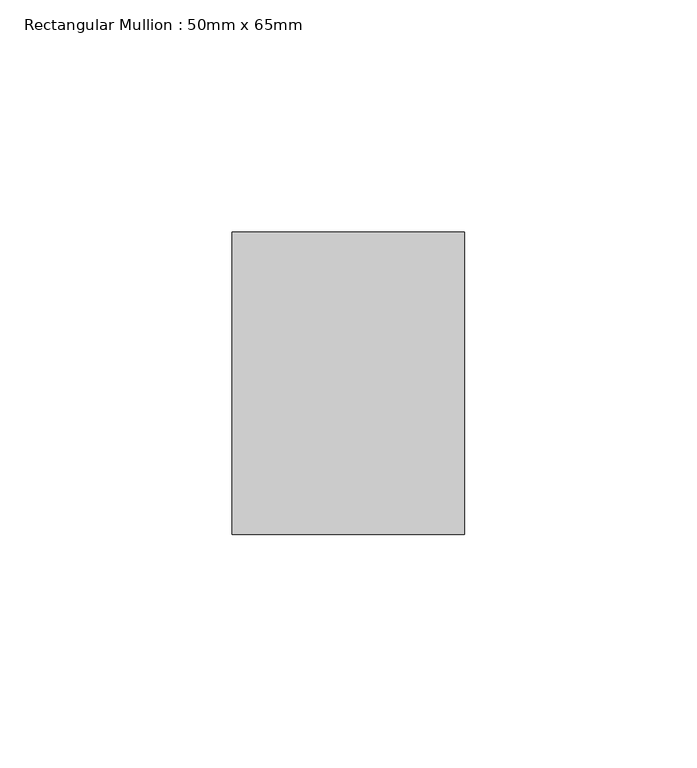
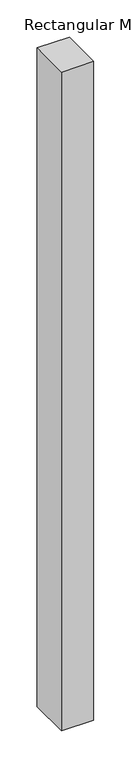
"""IFC4 building model written with IfcOpenShell, lengths in millimetres: member geometry, Rectangular Mullion : 50mm x 65mm."""

from ifc_helpers import new_model, si_unit, frame, origin, place, context, project, spatial, polyline, outline, extrude, source, transform, mapped, element, save


def rectangular_mullion_50mm_x_65mm_949d1eea(model_context):
    return source(origin(), model_context, "Body", "SweptSolid", [
        extrude(outline(polyline([(25.0, 32.5), (25.0, -32.5), (-25.0, -32.5), (-25.0, 32.5), (25.0, 32.5)])), frame((0.0, 0.0, -1078.0448957), z_axis=(0.0, 0.0, 1.0), x_axis=(1.0, 0.0, 0.0)), (0.0, 0.0, 1.0), 1078.0448957),
    ])


if __name__ == "__main__":
    model = new_model("IFC4")
    model_context = context("Model", 3, world=origin())
    ifc_project = project(units=[si_unit("LENGTHUNIT", "METRE", prefix="MILLI")], contexts=[model_context])
    site = spatial("IfcSite", under=ifc_project)
    building = spatial("IfcBuilding", under=site)
    placement = place(None, origin())
    rectangular_mullion_50mm_x_65mm_shape = rectangular_mullion_50mm_x_65mm_949d1eea(model_context)
    element("IfcMember", 1, ObjectType="Rectangular Mullion : 50mm x 65mm", at=placement, inside=building, context=model_context, shape_type="MappedRepresentation", body=[
        mapped(rectangular_mullion_50mm_x_65mm_shape, transform((0.0, 0.0, 0.0), x_axis=(1.0, 0.0, 0.0), y_axis=(0.0, 1.0, 0.0), z_axis=(0.0, 0.0, 1.0))),
    ])
    save(model, "model.ifc")
